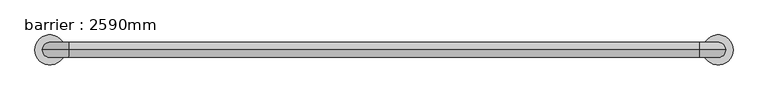
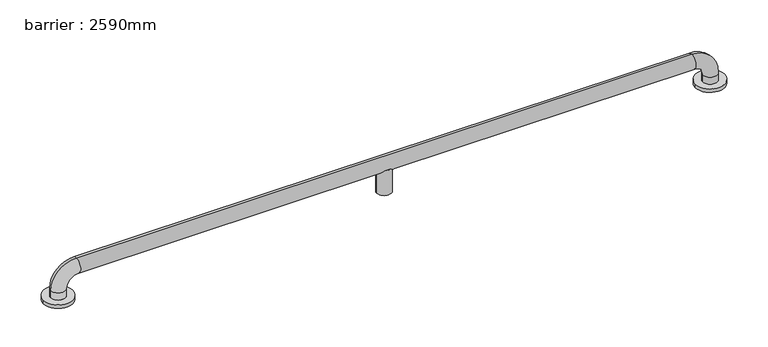
"""IFC4 building model written with IfcOpenShell, lengths in millimetres: geographic element geometry, barrier : 2590mm."""

from ifc_helpers import new_model, si_unit, point, frame, origin, place, context, project, spatial, circle_curve, ellipse_curve, trimmed, source, transform, mapped, element, save
from ifc_brep_helpers import plane_surface, cylinder_surface, revolved_surface, advanced_brep


def barrier_2590mm_6d6ec282(model_context):
    return source(origin(), model_context, "Body", "AdvancedBrep", [
        advanced_brep(
        [(-172.2018632, 0.0, 0.0), (-92.2018632, 0.0, 0.0), (1608.1828809, 0.0, 0.0), (1688.1828809, 0.0, 0.0), (-112.2018632, 0.0, 30.0), (-152.2018632, 0.0, 30.0), (-152.2018632, 0.0, 10.0), (-112.2018632, 0.0, 10.0), (-82.2018632, 0.0, 60.0), (-82.2018632, 0.0, 100.0), (737.9905089, 0.0, 60.0), (749.2967977, -18.0116458, 71.3062888), (766.6842201, -18.0116458, 71.3062888), (777.9905089, 0.0, 60.0), (1598.1828809, 0.0, 60.0), (1598.1828809, 0.0, 100.0), (766.6842201, 18.0116458, 71.3062888), (749.2967977, 18.0116458, 71.3062888), (1628.1828809, 0.0, 30.0), (1668.1828809, 0.0, 30.0), (1628.1828809, 0.0, 10.0), (1668.1828809, 0.0, 10.0), (737.9905089, 0.0, 0.0), (777.9905089, 0.0, 0.0), (-172.2018632, 0.0, 10.0), (-92.2018632, 0.0, 10.0), (1608.1828809, 0.0, 10.0), (1688.1828809, 0.0, 10.0)],
        [
            (0, 1, circle_curve(frame((-132.2018632, 0.0, 0.0), z_axis=(0.0, 0.0, -1.0), x_axis=(1.0, 0.0, 0.0)), 40.0)),
            (1, 0, circle_curve(frame((-132.2018632, 0.0, 0.0), z_axis=(0.0, 0.0, -1.0), x_axis=(1.0, 0.0, 0.0)), 40.0)),
            (2, 3, circle_curve(frame((1648.1828809, 0.0, 0.0), z_axis=(0.0, 0.0, -1.0), x_axis=(1.0, 0.0, 0.0)), 40.0)),
            (3, 2, circle_curve(frame((1648.1828809, 0.0, 0.0), z_axis=(0.0, 0.0, -1.0), x_axis=(1.0, 0.0, 0.0)), 40.0)),
            (4, 5, circle_curve(frame((-132.2018632, 0.0, 30.0), z_axis=(0.0, 0.0, -1.0), x_axis=(-1.0, 0.0, 0.0)), 20.0)),
            (5, 6),
            (6, 7, circle_curve(frame((-132.2018632, 0.0, 10.0), z_axis=(0.0, 0.0, 1.0), x_axis=(-1.0, 0.0, 0.0)), 20.0)),
            (7, 4),
            (5, 4, circle_curve(frame((-132.2018632, 0.0, 30.0), z_axis=(0.0, 0.0, -1.0), x_axis=(-1.0, 0.0, 0.0)), 20.0)),
            (7, 6, circle_curve(frame((-132.2018632, 0.0, 10.0), z_axis=(0.0, 0.0, 1.0), x_axis=(-1.0, 0.0, 0.0)), 20.0)),
            (4, 8, circle_curve(frame((-82.2018632, 0.0, 30.0), z_axis=(0.0, 1.0, 0.0), x_axis=(-1.0, 0.0, 0.0)), 30.0)),
            (8, 9, circle_curve(frame((-82.2018632, 0.0, 80.0), z_axis=(-1.0, 0.0, 0.0), x_axis=(0.0, 0.0, 1.0)), 20.0)),
            (9, 5, circle_curve(frame((-82.2018632, 0.0, 30.0), z_axis=(0.0, -1.0, 0.0), x_axis=(-1.0, 0.0, 0.0)), 70.0)),
            (9, 8, circle_curve(frame((-82.2018632, 0.0, 80.0), z_axis=(-1.0, 0.0, 0.0), x_axis=(0.0, 0.0, 1.0)), 20.0)),
            (8, 10),
            (10, 11, ellipse_curve(frame((757.9905089, 0.0, 80.0), z_axis=(-0.7071067811865475, 0.0, 0.7071067811865475), x_axis=(-0.7071067811865476, 0.0, -0.7071067811865474)), 28.2842712, 20.0)),
            (11, 12),
            (12, 13, ellipse_curve(frame((757.9905089, 0.0, 80.0), z_axis=(0.7071067811865475, 0.0, 0.7071067811865475), x_axis=(-0.7071067811865476, 0.0, 0.7071067811865474)), 28.2842712, 20.0)),
            (13, 14),
            (14, 15, circle_curve(frame((1598.1828809, 0.0, 80.0), z_axis=(-1.0, 0.0, 0.0), x_axis=(0.0, 0.0, 1.0)), 20.0)),
            (15, 9),
            (15, 14, circle_curve(frame((1598.1828809, 0.0, 80.0), z_axis=(-1.0, 0.0, 0.0), x_axis=(0.0, 0.0, 1.0)), 20.0)),
            (13, 16, ellipse_curve(frame((757.9905089, 0.0, 80.0), z_axis=(0.7071067811865475, 0.0, 0.7071067811865475), x_axis=(-0.7071067811865476, 0.0, 0.7071067811865474)), 28.2842712, 20.0)),
            (16, 17),
            (17, 10, ellipse_curve(frame((757.9905089, 0.0, 80.0), z_axis=(-0.7071067811865475, 0.0, 0.7071067811865475), x_axis=(-0.7071067811865476, 0.0, -0.7071067811865474)), 28.2842712, 20.0)),
            (14, 18, circle_curve(frame((1598.1828809, 0.0, 30.0), z_axis=(0.0, 1.0, 0.0), x_axis=(0.0, 0.0, 1.0)), 30.0)),
            (18, 19, circle_curve(frame((1648.1828809, 0.0, 30.0), z_axis=(0.0, 0.0, 1.0), x_axis=(1.0, 0.0, 0.0)), 20.0)),
            (19, 15, circle_curve(frame((1598.1828809, 0.0, 30.0), z_axis=(0.0, -1.0, 0.0), x_axis=(0.0, 0.0, 1.0)), 70.0)),
            (19, 18, circle_curve(frame((1648.1828809, 0.0, 30.0), z_axis=(0.0, 0.0, 1.0), x_axis=(1.0, 0.0, 0.0)), 20.0)),
            (18, 20),
            (20, 21, circle_curve(frame((1648.1828809, 0.0, 10.0), z_axis=(0.0, 0.0, 1.0), x_axis=(1.0, 0.0, 0.0)), 20.0)),
            (21, 19),
            (21, 20, circle_curve(frame((1648.1828809, 0.0, 10.0), z_axis=(0.0, 0.0, 1.0), x_axis=(1.0, 0.0, 0.0)), 20.0)),
            (22, 23, circle_curve(frame((757.9905089, 0.0, 0.0), z_axis=(0.0, 0.0, -1.0), x_axis=(1.0, 0.0, 0.0)), 20.0)),
            (23, 22, circle_curve(frame((757.9905089, 0.0, 0.0), z_axis=(0.0, 0.0, -1.0), x_axis=(1.0, 0.0, 0.0)), 20.0)),
            (23, 13),
            (12, 11, circle_curve(frame((757.9905089, 0.0, 71.3062888), z_axis=(0.0, 0.0, -1.0), x_axis=(1.0, 0.0, 0.0)), 20.0)),
            (10, 22),
            (17, 16, circle_curve(frame((757.9905089, 0.0, 71.3062888), z_axis=(0.0, 0.0, -1.0), x_axis=(1.0, 0.0, 0.0)), 20.0)),
            (24, 25, circle_curve(frame((-132.2018632, 0.0, 10.0), z_axis=(0.0, 0.0, 1.0), x_axis=(1.0, 0.0, 0.0)), 40.0)),
            (25, 24, circle_curve(frame((-132.2018632, 0.0, 10.0), z_axis=(0.0, 0.0, 1.0), x_axis=(1.0, 0.0, 0.0)), 40.0)),
            (26, 27, circle_curve(frame((1648.1828809, 0.0, 10.0), z_axis=(0.0, 0.0, 1.0), x_axis=(1.0, 0.0, 0.0)), 40.0)),
            (27, 26, circle_curve(frame((1648.1828809, 0.0, 10.0), z_axis=(0.0, 0.0, 1.0), x_axis=(1.0, 0.0, 0.0)), 40.0)),
            (24, 0),
            (1, 25),
            (26, 2),
            (3, 27),
        ],
        [
            plane_surface(frame((-132.2018632, -20.0, 0.0), z_axis=(0.0, 0.0, -1.0), x_axis=(1.0, 0.0, 0.0))),
            cylinder_surface(frame((-132.2018632, 0.0, 0.0), z_axis=(0.0, 0.0, -1.0), x_axis=(-1.0, 0.0, 0.0)), 20.0),
            revolved_surface(trimmed(ellipse_curve(frame((-132.2018632, 0.0, 30.0), z_axis=(0.0, 0.0, -1.0), x_axis=(-1.0, 0.0, 0.0)), 20.0, 20.0), [point((-112.2018632, 0.0, 30.0))], [point((-152.2018632, 0.0, 30.0))], True, "CARTESIAN"), (-82.2018632, 0.0, 30.0), (0.0, 1.0, 0.0)),
            revolved_surface(trimmed(ellipse_curve(frame((-132.2018632, 0.0, 30.0), z_axis=(0.0, 0.0, -1.0), x_axis=(-1.0, 0.0, 0.0)), 20.0, 20.0), [point((-152.2018632, 0.0, 30.0))], [point((-112.2018632, 0.0, 30.0))], True, "CARTESIAN"), (-82.2018632, 0.0, 30.0), (0.0, 1.0, 0.0)),
            cylinder_surface(frame((-82.2018632, 0.0, 80.0), z_axis=(-1.0, 0.0, 0.0), x_axis=(0.0, 0.0, 1.0)), 20.0),
            revolved_surface(trimmed(ellipse_curve(frame((1598.1828809, 0.0, 80.0), z_axis=(-1.0, 0.0, 0.0), x_axis=(0.0, 0.0, 1.0)), 20.0, 20.0), [point((1598.1828809, 0.0, 60.0))], [point((1598.1828809, 0.0, 100.0))], True, "CARTESIAN"), (1598.1828809, 0.0, 30.0), (0.0, 1.0, 0.0)),
            revolved_surface(trimmed(ellipse_curve(frame((1598.1828809, 0.0, 80.0), z_axis=(-1.0, 0.0, 0.0), x_axis=(0.0, 0.0, 1.0)), 20.0, 20.0), [point((1598.1828809, 0.0, 100.0))], [point((1598.1828809, 0.0, 60.0))], True, "CARTESIAN"), (1598.1828809, 0.0, 30.0), (0.0, 1.0, 0.0)),
            cylinder_surface(frame((1648.1828809, 0.0, 30.0), z_axis=(0.0, 0.0, 1.0), x_axis=(1.0, 0.0, 0.0)), 20.0),
            plane_surface(frame((777.9905089, 0.0, 0.0), z_axis=(0.0, 0.0, -1.0), x_axis=(0.0, -1.0, 0.0))),
            cylinder_surface(frame((757.9905089, 0.0, 0.0), z_axis=(0.0, 0.0, 1.0), x_axis=(1.0, 0.0, 0.0)), 20.0),
            plane_surface(frame((-92.2018632, 0.0, 10.0), z_axis=(0.0, 0.0, 1.0), x_axis=(0.0, 1.0, 0.0))),
            cylinder_surface(frame((-132.2018632, 0.0, 0.0), z_axis=(0.0, 0.0, 1.0), x_axis=(1.0, 0.0, 0.0)), 40.0),
            cylinder_surface(frame((1648.1828809, 0.0, 0.0), z_axis=(0.0, 0.0, 1.0), x_axis=(1.0, 0.0, 0.0)), 40.0),
            plane_surface(frame((777.9905089, 0.0, 71.3062888), z_axis=(0.0, 0.0, 1.0), x_axis=(0.0, 1.0, 0.0))),
        ],
        [
            (0, [[1, 2]]),
            (0, [[3, 4]]),
            (1, [[5, 6, 7, 8]]),
            (1, [[9, -8, 10, -6]]),
            (2, [[-5, 11, 12, 13]]),
            (3, [[-9, -13, 14, -11]]),
            (4, [[-12, 15, 16, 17, 18, 19, 20, 21]]),
            (4, [[-14, -21, 22, -19, 23, 24, 25, -15]]),
            (5, [[-20, 26, 27, 28]]),
            (6, [[-22, -28, 29, -26]]),
            (7, [[-27, 30, 31, 32]]),
            (7, [[-29, -32, 33, -30]]),
            (8, [[34, 35]]),
            (9, [[-35, 36, -18, 37, -16, 38]]),
            (9, [[-34, -38, -25, 39, -23, -36]]),
            (10, [[40, 41], [-7, -10]]),
            (10, [[42, 43], [-31, -33]]),
            (11, [[-40, 44, -2, 45]]),
            (11, [[-41, -45, -1, -44]]),
            (12, [[-42, 46, -4, 47]]),
            (12, [[-43, -47, -3, -46]]),
            (13, [[-37, -17]]),
            (13, [[-39, -24]]),
        ],
    ),
    ])


if __name__ == "__main__":
    model = new_model("IFC4")
    model_context = context("Model", 3, world=origin())
    ifc_project = project(units=[si_unit("LENGTHUNIT", "METRE", prefix="MILLI")], contexts=[model_context])
    site = spatial("IfcSite", under=ifc_project)
    building = spatial("IfcBuilding", under=site)
    placement = place(None, origin())
    barrier_2590mm_shape = barrier_2590mm_6d6ec282(model_context)
    element("IfcGeographicElement", 1, ObjectType="barrier : 2590mm", at=placement, inside=building, context=model_context, shape_type="MappedRepresentation", body=[
        mapped(barrier_2590mm_shape, transform((0.0, 0.0, 0.0), x_axis=(1.0, 0.0, 0.0), y_axis=(0.0, 1.0, 0.0), z_axis=(0.0, 0.0, 1.0))),
    ])
    save(model, "model.ifc")
